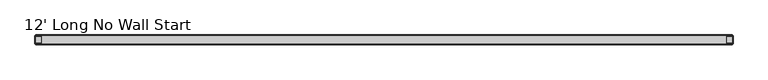
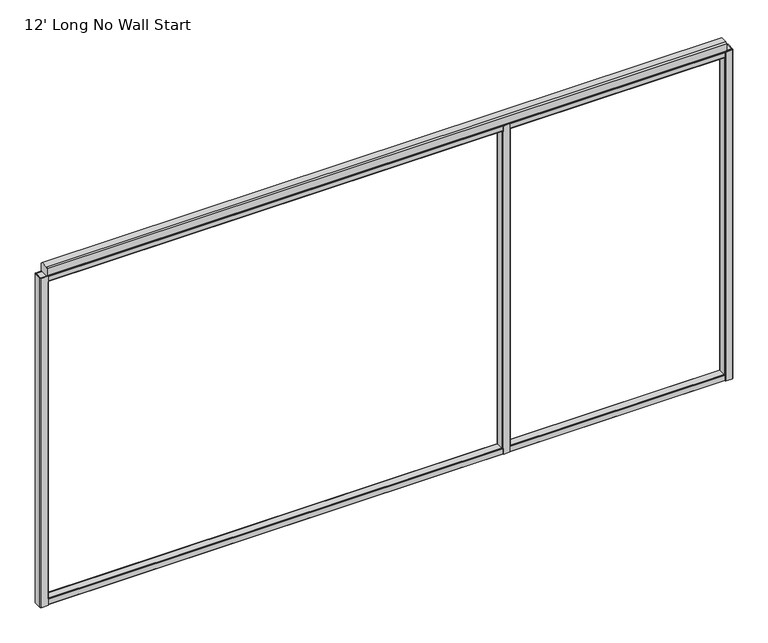
"""IFC4 building model written with IfcOpenShell, lengths in millimetres: furniture geometry, 12' Long No Wall Start."""

from ifc_helpers import new_model, si_unit, frame, origin, place, context, project, spatial, polyline, outline, extrude, faceted_brep, source, transform, mapped, element, save


def furniture_12_long_no_wall_start_1f10fd1f(model_context):
    return source(origin(), model_context, "Body", "SolidModel", [
        faceted_brep([(2478.3542, 25.4, 1937.6408515), (2442.8958, 25.4, 1937.6408515), (2442.8958, 23.1181008, 1937.6408515), (2443.3151471, 23.2918, 1937.6408515), (2477.9348529, 23.2918, 1937.6408515), (2478.3542, 23.1181008, 1937.6408515), (2442.8958, -25.4, 1937.6408515), (2478.3542, -25.4, 1937.6408515), (2478.3542, -23.1181008, 1937.6408515), (2477.9348529, -23.2918, 1937.6408515), (2443.3151471, -23.2918, 1937.6408515), (2442.8958, -23.1181008, 1937.6408515), (2478.3542, -25.4, 104.7768515), (2442.8958, -25.4, 104.7768515), (2442.8958, -23.1181008, 104.7768515), (2443.3151471, -23.2918, 104.7768515), (2477.9348529, -23.2918, 104.7768515), (2478.3542, -23.1181008, 104.7768515), (2442.8958, 25.4, 104.7768515), (2478.3542, 25.4, 104.7768515), (2478.3542, 23.1181008, 104.7768515), (2477.9348529, 23.2918, 104.7768515), (2443.3151471, 23.2918, 104.7768515), (2442.8958, 23.1181008, 104.7768515), (2482.85, 20.9042, 1905.6368515), (2482.85, -20.9042, 1905.6368515), (2482.85, -20.9042, 136.7808515), (2482.85, 20.9042, 136.7808515), (2442.8958, -25.4, 1905.6368515), (2442.8958, -25.4, 136.7808515), (2478.3542, -25.4, 136.7808515), (2478.3542, -25.4, 1905.6368515), (2438.4, -20.9042, 1905.6368515), (2438.4, 20.9042, 1905.6368515), (2438.4, 20.9042, 136.7808515), (2438.4, -20.9042, 136.7808515), (2478.3542, 25.4, 1905.6368515), (2478.3542, 25.4, 136.7808515), (2442.8958, 25.4, 136.7808515), (2442.8958, 25.4, 1905.6368515), (2481.5332107, 24.0832107, 1905.6368515), (2481.5332107, 24.0832107, 136.7808515), (2481.5332107, -24.0832107, 1905.6368515), (2481.5332107, -24.0832107, 136.7808515), (2439.7167893, -24.0832107, 1905.6368515), (2439.7167893, -24.0832107, 136.7808515), (2439.7167893, 24.0832107, 1905.6368515), (2439.7167893, 24.0832107, 136.7808515), (2480.7418, -20.4848529, 1905.6368515), (2480.7418, 20.4848529, 1905.6368515), (2480.7418, 20.4848529, 136.7808515), (2480.7418, -20.4848529, 136.7808515), (2479.9196642, 22.4696642, 1905.6368515), (2479.9196642, 22.4696642, 136.7808515), (2478.3542, 23.1181008, 136.7808515), (2478.3542, 23.1181008, 1905.6368515), (2442.8958, 23.1181008, 1905.6368515), (2441.3303358, 22.4696642, 1905.6368515), (2441.3303358, 22.4696642, 136.7808515), (2442.8958, 23.1181008, 136.7808515), (2440.5082, 20.4848529, 1905.6368515), (2440.5082, 20.4848529, 136.7808515), (2440.5082, -20.4848529, 1905.6368515), (2440.5082, -20.4848529, 136.7808515), (2441.3303358, -22.4696642, 1905.6368515), (2441.3303358, -22.4696642, 136.7808515), (2442.8958, -23.1181008, 136.7808515), (2442.8958, -23.1181008, 1905.6368515), (2478.3542, -23.1181008, 1905.6368515), (2479.9196642, -22.4696642, 1905.6368515), (2479.9196642, -22.4696642, 136.7808515), (2478.3542, -23.1181008, 136.7808515)], [[[0, 1, 2, 3, 4, 5]], [[6, 7, 8, 9, 10, 11]], [[12, 13, 14, 15, 16, 17]], [[18, 19, 20, 21, 22, 23]], [[24, 25, 26, 27]], [[7, 6, 28, 29, 13, 12, 30, 31]], [[32, 33, 34, 35]], [[1, 0, 36, 37, 19, 18, 38, 39]], [[36, 40, 41, 37]], [[40, 24, 27, 41]], [[25, 42, 43, 26]], [[42, 31, 30, 43]], [[28, 44, 45, 29]], [[44, 32, 35, 45]], [[33, 46, 47, 34]], [[46, 39, 38, 47]], [[48, 49, 50, 51]], [[49, 52, 53, 50]], [[4, 21, 20, 54, 53, 52, 55, 5]], [[4, 3, 22, 21]], [[22, 3, 2, 56, 57, 58, 59, 23]], [[57, 60, 61, 58]], [[60, 62, 63, 61]], [[62, 64, 65, 63]], [[10, 15, 14, 66, 65, 64, 67, 11]], [[10, 9, 16, 15]], [[16, 9, 8, 68, 69, 70, 71, 17]], [[69, 48, 51, 70]], [[36, 55, 52, 49, 48, 69, 68, 31, 42, 25, 24, 40]], [[55, 36, 0, 5]], [[31, 68, 8, 7]], [[54, 37, 41, 27, 26, 43, 30, 71, 70, 51, 50, 53]], [[37, 54, 20, 19]], [[71, 30, 12, 17]], [[56, 39, 46, 33, 32, 44, 28, 67, 64, 62, 60, 57]], [[39, 56, 2, 1]], [[67, 28, 6, 11]], [[38, 59, 58, 61, 63, 65, 66, 29, 45, 35, 34, 47]], [[59, 38, 18, 23]], [[29, 66, 14, 13]]]),
        faceted_brep([(39.9542, 25.4, 1940.56), (4.4958, 25.4, 1940.56), (1.3167893, 24.0832107, 1940.56), (0.0, 20.9042, 1940.56), (0.0, -20.9042, 1940.56), (1.3167893, -24.0832107, 1940.56), (4.4958, -25.4, 1940.56), (39.9542, -25.4, 1940.56), (39.9542, -23.1181008, 1940.56), (39.5348529, -23.2918, 1940.56), (4.9151471, -23.2918, 1940.56), (2.9303358, -22.4696642, 1940.56), (2.1082, -20.4848529, 1940.56), (2.1082, 20.4848529, 1940.56), (2.9303358, 22.4696642, 1940.56), (4.9151471, 23.2918, 1940.56), (39.5348529, 23.2918, 1940.56), (39.9542, 23.1181008, 1940.56), (39.9542, -25.4, 101.6), (4.4958, -25.4, 101.6), (1.3167893, -24.0832107, 101.6), (0.0, -20.9042, 101.6), (0.0, 20.9042, 101.6), (1.3167893, 24.0832107, 101.6), (4.4958, 25.4, 101.6), (39.9542, 25.4, 101.6), (39.9542, 23.1181008, 101.6), (39.5348529, 23.2918, 101.6), (4.9151471, 23.2918, 101.6), (2.9303358, 22.4696642, 101.6), (2.1082, 20.4848529, 101.6), (2.1082, -20.4848529, 101.6), (2.9303358, -22.4696642, 101.6), (4.9151471, -23.2918, 101.6), (39.5348529, -23.2918, 101.6), (39.9542, -23.1181008, 101.6), (44.45, 20.9042, 1905.635), (44.45, -20.9042, 1905.635), (44.45, -20.9042, 136.525), (44.45, 20.9042, 136.525), (39.9542, -25.4, 136.525), (39.9542, -25.4, 1905.635), (39.9542, 25.4, 1905.635), (39.9542, 25.4, 136.525), (43.1332107, 24.0832107, 1905.635), (43.1332107, 24.0832107, 136.525), (43.1332107, -24.0832107, 1905.635), (43.1332107, -24.0832107, 136.525), (42.3418, -20.4848529, 1905.635), (42.3418, 20.4848529, 1905.635), (42.3418, 20.4848529, 136.525), (42.3418, -20.4848529, 136.525), (41.5196642, 22.4696642, 1905.635), (41.5196642, 22.4696642, 136.525), (39.9542, 23.1181008, 136.525), (39.9542, 23.1181008, 1905.635), (39.9542, -23.1181008, 1905.635), (41.5196642, -22.4696642, 1905.635), (41.5196642, -22.4696642, 136.525), (39.9542, -23.1181008, 136.525)], [[[0, 1, 2, 3, 4, 5, 6, 7, 8, 9, 10, 11, 12, 13, 14, 15, 16, 17]], [[18, 19, 20, 21, 22, 23, 24, 25, 26, 27, 28, 29, 30, 31, 32, 33, 34, 35]], [[36, 37, 38, 39]], [[7, 6, 19, 18, 40, 41]], [[4, 3, 22, 21]], [[1, 0, 42, 43, 25, 24]], [[42, 44, 45, 43]], [[44, 36, 39, 45]], [[37, 46, 47, 38]], [[46, 41, 40, 47]], [[6, 5, 20, 19]], [[5, 4, 21, 20]], [[3, 2, 23, 22]], [[2, 1, 24, 23]], [[48, 49, 50, 51]], [[49, 52, 53, 50]], [[16, 27, 26, 54, 53, 52, 55, 17]], [[16, 15, 28, 27]], [[15, 14, 29, 28]], [[14, 13, 30, 29]], [[13, 12, 31, 30]], [[12, 11, 32, 31]], [[11, 10, 33, 32]], [[10, 9, 34, 33]], [[34, 9, 8, 56, 57, 58, 59, 35]], [[57, 48, 51, 58]], [[42, 55, 52, 49, 48, 57, 56, 41, 46, 37, 36, 44]], [[55, 42, 0, 17]], [[41, 56, 8, 7]], [[54, 43, 45, 39, 38, 47, 40, 59, 58, 51, 50, 53]], [[43, 54, 26, 25]], [[59, 40, 18, 35]]]),
        faceted_brep([(3617.6458, -25.4, 1940.56), (3653.1042, -25.4, 1940.56), (3656.2832107, -24.0832107, 1940.56), (3657.6, -20.9042, 1940.56), (3657.6, 20.9042, 1940.56), (3656.2832107, 24.0832107, 1940.56), (3653.1042, 25.4, 1940.56), (3617.6458, 25.4, 1940.56), (3617.6458, 23.1181008, 1940.56), (3618.0651471, 23.2918, 1940.56), (3652.6848529, 23.2918, 1940.56), (3654.6696642, 22.4696642, 1940.56), (3655.4918, 20.4848529, 1940.56), (3655.4918, -20.4848529, 1940.56), (3654.6696642, -22.4696642, 1940.56), (3652.6848529, -23.2918, 1940.56), (3618.0651471, -23.2918, 1940.56), (3617.6458, -23.1181008, 1940.56), (3617.6458, 25.4, 101.6), (3653.1042, 25.4, 101.6), (3656.2832107, 24.0832107, 101.6), (3657.6, 20.9042, 101.6), (3657.6, -20.9042, 101.6), (3656.2832107, -24.0832107, 101.6), (3653.1042, -25.4, 101.6), (3617.6458, -25.4, 101.6), (3617.6458, -23.1181008, 101.6), (3618.0651471, -23.2918, 101.6), (3652.6848529, -23.2918, 101.6), (3654.6696642, -22.4696642, 101.6), (3655.4918, -20.4848529, 101.6), (3655.4918, 20.4848529, 101.6), (3654.6696642, 22.4696642, 101.6), (3652.6848529, 23.2918, 101.6), (3618.0651471, 23.2918, 101.6), (3617.6458, 23.1181008, 101.6), (3613.15, -20.9042, 1905.635), (3613.15, 20.9042, 1905.635), (3613.15, 20.9042, 136.525), (3613.15, -20.9042, 136.525), (3617.6458, -25.4, 1905.635), (3617.6458, -25.4, 136.525), (3617.6458, 25.4, 136.525), (3617.6458, 25.4, 1905.635), (3614.4667893, 24.0832107, 1905.635), (3614.4667893, 24.0832107, 136.525), (3614.4667893, -24.0832107, 1905.635), (3614.4667893, -24.0832107, 136.525), (3615.2582, 20.4848529, 1905.635), (3615.2582, -20.4848529, 1905.635), (3615.2582, -20.4848529, 136.525), (3615.2582, 20.4848529, 136.525), (3616.0803358, 22.4696642, 1905.635), (3616.0803358, 22.4696642, 136.525), (3617.6458, 23.1181008, 1905.635), (3617.6458, 23.1181008, 136.525), (3617.6458, -23.1181008, 136.525), (3616.0803358, -22.4696642, 136.525), (3616.0803358, -22.4696642, 1905.635), (3617.6458, -23.1181008, 1905.635)], [[[0, 1, 2, 3, 4, 5, 6, 7, 8, 9, 10, 11, 12, 13, 14, 15, 16, 17]], [[18, 19, 20, 21, 22, 23, 24, 25, 26, 27, 28, 29, 30, 31, 32, 33, 34, 35]], [[36, 37, 38, 39]], [[1, 0, 40, 41, 25, 24]], [[4, 3, 22, 21]], [[7, 6, 19, 18, 42, 43]], [[44, 43, 42, 45]], [[37, 44, 45, 38]], [[46, 36, 39, 47]], [[40, 46, 47, 41]], [[2, 1, 24, 23]], [[3, 2, 23, 22]], [[5, 4, 21, 20]], [[6, 5, 20, 19]], [[48, 49, 50, 51]], [[52, 48, 51, 53]], [[34, 9, 8, 54, 52, 53, 55, 35]], [[10, 9, 34, 33]], [[11, 10, 33, 32]], [[12, 11, 32, 31]], [[13, 12, 31, 30]], [[14, 13, 30, 29]], [[15, 14, 29, 28]], [[16, 15, 28, 27]], [[16, 27, 26, 56, 57, 58, 59, 17]], [[49, 58, 57, 50]], [[54, 43, 44, 37, 36, 46, 40, 59, 58, 49, 48, 52]], [[43, 54, 8, 7]], [[59, 40, 0, 17]], [[42, 55, 53, 51, 50, 57, 56, 41, 47, 39, 38, 45]], [[55, 42, 18, 35]], [[41, 56, 26, 25]]]),
        extrude(outline(polyline([(-18.7325958, 101.6), (-21.884598, 102.905602), (-23.1902, 106.0576042), (-23.1902, 132.0673958), (-21.884598, 135.219398), (-18.7325958, 136.525), (18.7325958, 136.525), (21.884598, 135.219398), (23.1902, 132.0673958), (23.1902, 106.0576042), (21.884598, 102.905602), (18.7325958, 101.6), (-18.7325958, 101.6)]), holes=[polyline([(-18.3132488, 103.7082), (18.3132488, 103.7082), (20.2710515, 104.5191485), (21.082, 106.4769512), (21.082, 131.6480488), (20.2710515, 133.6058515), (18.3132488, 134.4168), (-18.3132488, 134.4168), (-20.2710515, 133.6058515), (-21.082, 131.6480488), (-21.082, 106.4769512), (-20.2710515, 104.5191485), (-18.3132488, 103.7082)])]), frame((2.1082, 0.0, 0.0), z_axis=(1.0, 0.0, 0.0), x_axis=(0.0, 1.0, 0.0)), (0.0, 0.0, 1.0), 3653.3836),
        extrude(outline(polyline([(-18.7325958, 1940.56), (18.7325958, 1940.56), (21.884598, 1939.254398), (23.1902, 1936.1023958), (23.1902, 1910.0926042), (21.884598, 1906.940602), (18.7325958, 1905.635), (-18.7325958, 1905.635), (-21.884598, 1906.940602), (-23.1902, 1910.0926042), (-23.1902, 1936.1023958), (-21.884598, 1939.254398), (-18.7325958, 1940.56)]), holes=[polyline([(-18.3132488, 1938.4518), (-20.2710515, 1937.6408515), (-21.082, 1935.6830488), (-21.082, 1910.5119512), (-20.2710515, 1908.5541485), (-18.3132488, 1907.7432), (18.3132488, 1907.7432), (20.2710515, 1908.5541485), (21.082, 1910.5119512), (21.082, 1935.6830488), (20.2710515, 1937.6408515), (18.3132488, 1938.4518), (-18.3132488, 1938.4518)])]), frame((2.1082, 0.0, 0.0), z_axis=(1.0, 0.0, 0.0), x_axis=(0.0, 1.0, 0.0)), (0.0, 0.0, 1.0), 3653.3836),
        extrude(outline(polyline([(19.908865, 1991.36), (25.4, 1985.868865), (25.4, 1946.051135), (19.908865, 1940.56), (-19.908865, 1940.56), (-25.4, 1946.051135), (-25.4, 1985.868865), (-19.908865, 1991.36), (19.908865, 1991.36)])), frame((34.5948, 0.0, 0.0), z_axis=(1.0, 0.0, 0.0), x_axis=(0.0, 1.0, 0.0)), (0.0, 0.0, 1.0), 3588.4104),
    ])


if __name__ == "__main__":
    model = new_model("IFC4")
    model_context = context("Model", 3, world=origin())
    ifc_project = project(units=[si_unit("LENGTHUNIT", "METRE", prefix="MILLI")], contexts=[model_context])
    site = spatial("IfcSite", under=ifc_project)
    building = spatial("IfcBuilding", under=site)
    placement = place(None, origin())
    furniture_12_long_no_wall_start_shape = furniture_12_long_no_wall_start_1f10fd1f(model_context)
    element("IfcFurniture", 1, ObjectType="12' Long No Wall Start", at=placement, inside=building, context=model_context, shape_type="MappedRepresentation", body=[
        mapped(furniture_12_long_no_wall_start_shape, transform((0.0, 0.0, 0.0), x_axis=(1.0, 0.0, 0.0), y_axis=(0.0, 1.0, 0.0), z_axis=(0.0, 0.0, 1.0))),
    ])
    save(model, "model.ifc")
